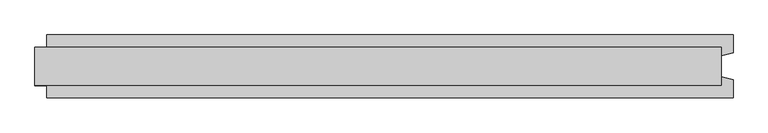
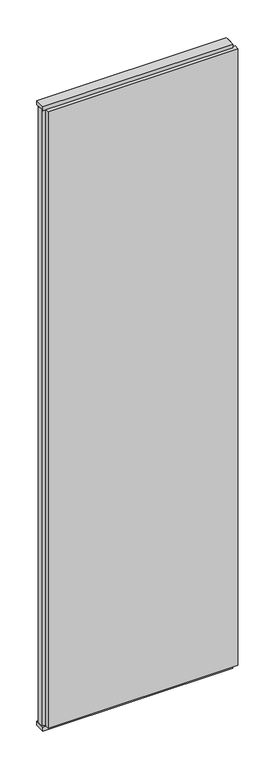
"""IFC4 building model written with IfcOpenShell, lengths in millimetres: plate geometry."""

from ifc_helpers import new_model, si_unit, frame, origin, origin_with_axes, place, context, project, spatial, polyline, outline, extrude, source, transform, mapped, element, save


def plate_a7e2e9fc(model_context):
    return source(origin(), model_context, "Body", "SweptSolid", [
        extrude(outline(polyline([(594.5833333, 52.5), (594.5833333, 22.9993165), (574.5833333, 17.6401049), (574.5833333, -17.6401049), (594.5833333, -22.9993165), (594.5833333, -52.5), (-554.5833333, -52.5), (-554.5833333, -22.9993165), (-574.5833333, -17.6401049), (-574.5833333, 17.6401049), (-554.5833333, 22.9993165), (-554.5833333, 52.5), (594.5833333, 52.5)])), frame((0.0, 0.0, 25.0), z_axis=(0.0, 0.0, 1.0), x_axis=(1.0, 0.0, 0.0)), (0.0, 0.0, 1.0), 3950.0),
        extrude(outline(polyline([(574.5833333, 32.0), (574.5833333, -32.0), (-574.5833333, -32.0), (-574.5833333, 32.0), (574.5833333, 32.0)])), origin_with_axes(), (0.0, 0.0, 1.0), 25.0),
        extrude(outline(polyline([(574.5833333, 32.0), (574.5833333, -32.0), (-574.5833333, -32.0), (-574.5833333, 32.0), (574.5833333, 32.0)])), frame((0.0, 0.0, 3975.0), z_axis=(0.0, 0.0, 1.0), x_axis=(1.0, 0.0, 0.0)), (0.0, 0.0, 1.0), 25.0),
    ])


if __name__ == "__main__":
    model = new_model("IFC4")
    model_context = context("Model", 3, world=origin())
    ifc_project = project(units=[si_unit("LENGTHUNIT", "METRE", prefix="MILLI")], contexts=[model_context])
    site = spatial("IfcSite", under=ifc_project)
    building = spatial("IfcBuilding", under=site)
    placement = place(None, origin())
    plate_shape = plate_a7e2e9fc(model_context)
    element("IfcPlate", 1, at=placement, inside=building, context=model_context, shape_type="MappedRepresentation", body=[
        mapped(plate_shape, transform((0.0, 0.0, 0.0), x_axis=(1.0, 0.0, 0.0), y_axis=(0.0, 1.0, 0.0), z_axis=(0.0, 0.0, 1.0))),
    ])
    save(model, "model.ifc")
